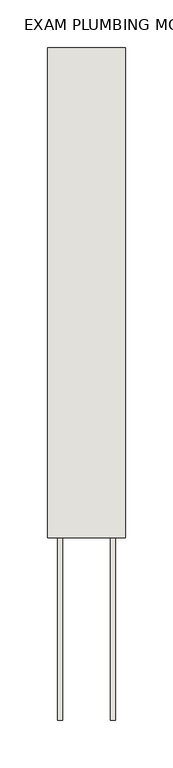
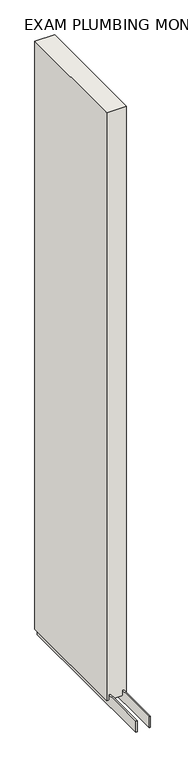
"""IFC4 building model written with IfcOpenShell, lengths in millimetres: wall geometry, EXAM PLUMBING MONO 2 476161 : EXAM PLUMBING MONO 2 476161."""

import ifcopenshell
import ifcopenshell.guid

model = None  # the IFC model being written
_history = None  # IfcOwnerHistory: only IFC2X3 demands one
_inside = {}  # id of a spatial element -> (the spatial element, [elements in it])
_under = {}  # id of a project, library or spatial element -> (it, [spatial elements below it])
_declared = {}  # id of a project -> (the project, [libraries it declares])
_typed = {}  # id of a type object -> (the type object, [elements of that type])
_made_of = {}  # id of a material, layer set ... -> (it, [elements and type objects made of it])


def new_model(schema):
    """Start an empty IFC model of exactly this schema.

    Asked for "IFC4X3", IfcOpenShell would pick the latest addendum, in which some entities
    have other attributes; the version numbers below select the first issue.
    IFC2X3 requires an IfcOwnerHistory on every rooted entity: one is made here for all.
    """
    global model, _history
    if schema == "IFC4X3":
        model = ifcopenshell.file(schema_version=(4, 3, 0, 0))
    else:
        model = ifcopenshell.file(schema=schema)
    _inside.clear()
    _under.clear()
    _declared.clear()
    _typed.clear()
    _made_of.clear()
    _history = None
    if model.schema == "IFC2X3":
        org = make("IfcOrganization", Name="unknown")
        user = make(
            "IfcPersonAndOrganization",
            ThePerson=make("IfcPerson", FamilyName="unknown"),
            TheOrganization=org,
        )
        app = make(
            "IfcApplication",
            ApplicationDeveloper=org,
            Version="unknown",
            ApplicationFullName="unknown",
            ApplicationIdentifier="unknown",
        )
        _history = make(
            "IfcOwnerHistory",
            OwningUser=user,
            OwningApplication=app,
            ChangeAction="ADDED",
            CreationDate=0,
        )
    return model


def make(cls, **values):
    """One entity of the class cls with the attributes given. An attribute that is None is left unset."""
    return model.create_entity(
        cls, **{name: value for name, value in values.items() if value is not None}
    )


def rooted(cls, **values):
    """An entity with a GlobalId (a new one), such as an element, a storey or a relation."""
    return make(cls, GlobalId=ifcopenshell.guid.new(), OwnerHistory=_history, **values)


def si_unit(unit_type, name, prefix=None):
    """IfcSIUnit, for example si_unit("LENGTHUNIT", "METRE", prefix="MILLI")."""
    return make("IfcSIUnit", UnitType=unit_type, Prefix=prefix, Name=name)


def assignment(units):
    """IfcUnitAssignment: the units of a project."""
    return None if units is None else make("IfcUnitAssignment", Units=units)


def point(xyz):
    """IfcCartesianPoint."""
    return None if xyz is None else make("IfcCartesianPoint", Coordinates=xyz)


def direction(xyz):
    """IfcDirection."""
    return None if xyz is None else make("IfcDirection", DirectionRatios=xyz)


def frame(location, z_axis=None, x_axis=None):
    """IfcAxis2Placement3D, a coordinate frame: its origin and axes. An axis left out is left unset."""
    return make(
        "IfcAxis2Placement3D",
        Location=point(location),
        Axis=direction(z_axis),
        RefDirection=direction(x_axis),
    )


def origin():
    """The frame at (0, 0, 0) with its axes left unset."""
    return frame((0.0, 0.0, 0.0))


def place(relative_to, where):
    """IfcLocalPlacement: puts the frame where relative to a parent placement (None: the world)."""
    return make(
        "IfcLocalPlacement", PlacementRelTo=relative_to, RelativePlacement=where
    )


def context(
    kind, dimensions, precision=None, world=None, true_north=None, identifier=None
):
    """IfcGeometricRepresentationContext, for example the 3D "Model" context."""
    return make(
        "IfcGeometricRepresentationContext",
        ContextIdentifier=identifier,
        ContextType=kind,
        CoordinateSpaceDimension=dimensions,
        Precision=precision,
        WorldCoordinateSystem=world,
        TrueNorth=true_north,
    )


def project(units=None, contexts=None):
    """IfcProject with its units and contexts."""
    return rooted(
        "IfcProject",
        Name="project",
        RepresentationContexts=contexts,
        UnitsInContext=assignment(units),
    )


def spatial(cls, under=None, at=None, **own):
    """A site, building, storey or space (cls), placed at a placement, below another one or the project."""
    s = rooted(cls, ObjectPlacement=at, **own)
    if under is not None:
        _under.setdefault(under.id(), (under, []))[1].append(s)
    return s


def polyline(points):
    """IfcPolyline through the points."""
    return make("IfcPolyline", Points=[point(p) for p in points])


def outline(outer, holes=None, kind="AREA"):
    """IfcArbitraryClosedProfileDef: a profile drawn as a closed curve; with holes, ...WithVoids."""
    if holes is None:
        return make("IfcArbitraryClosedProfileDef", ProfileType=kind, OuterCurve=outer)
    return make(
        "IfcArbitraryProfileDefWithVoids",
        ProfileType=kind,
        OuterCurve=outer,
        InnerCurves=holes,
    )


def extrude(swept, where, along, depth):
    """IfcExtrudedAreaSolid: the profile swept, set in the frame where, extruded along a direction by depth."""
    return make(
        "IfcExtrudedAreaSolid",
        SweptArea=swept,
        Position=where,
        ExtrudedDirection=direction(along),
        Depth=depth,
    )


def shape(context_of_items, identifier, shape_type, items):
    """IfcShapeRepresentation: the items that make up one representation, for example the "Body"."""
    return make(
        "IfcShapeRepresentation",
        ContextOfItems=context_of_items,
        RepresentationIdentifier=identifier,
        RepresentationType=shape_type,
        Items=items,
    )


def source(mapping_origin, context_of_items, identifier, shape_type, items):
    """IfcRepresentationMap: a shape defined once, which mapped items show again and again."""
    return make(
        "IfcRepresentationMap",
        MappingOrigin=mapping_origin,
        MappedRepresentation=shape(context_of_items, identifier, shape_type, items),
    )


def transform(
    local_origin,
    x_axis=None,
    y_axis=None,
    z_axis=None,
    scale=None,
    scale2=None,
    scale3=None,
    uniform=True,
):
    """IfcCartesianTransformationOperator3D, or its non-uniform kind. x_axis, y_axis, z_axis: its Axis1, 2, 3."""
    if uniform:
        return make(
            "IfcCartesianTransformationOperator3D",
            Axis1=direction(x_axis),
            Axis2=direction(y_axis),
            LocalOrigin=point(local_origin),
            Scale=scale,
            Axis3=direction(z_axis),
        )
    return make(
        "IfcCartesianTransformationOperator3DnonUniform",
        Axis1=direction(x_axis),
        Axis2=direction(y_axis),
        LocalOrigin=point(local_origin),
        Scale=scale,
        Axis3=direction(z_axis),
        Scale2=scale2,
        Scale3=scale3,
    )


def mapped(mapping_source, mapping_target):
    """IfcMappedItem: shows the shape of a source again, moved by a transform."""
    return make(
        "IfcMappedItem", MappingSource=mapping_source, MappingTarget=mapping_target
    )


def made_of(thing, what):
    """Note that an element or type object is made of a material, layer set ...; save() writes the relation."""
    if what is not None:
        _made_of.setdefault(what.id(), (what, []))[1].append(thing)
    return thing


def element(
    cls,
    number,
    at=None,
    inside=None,
    cuts=None,
    type_object=None,
    material=None,
    context=None,
    identifier="Body",
    shape_type=None,
    held_by="IfcProductDefinitionShape",
    body=None,
    shapes=None,
    **own,
):
    """One element of the class cls, such as IfcWall. Its Tag is "e" and its number.

    at: its placement. inside: the storey or other place that contains it. cuts: it is an
    opening in that element (IfcRelVoidsElement). A single representation is given by context,
    identifier, shape_type and body (its items); several are given by shapes. held_by: the class
    of the entity that holds the representations. save() writes the other relations.
    """
    e = rooted(cls, Tag="e%d" % number, ObjectPlacement=at, **own)
    if body is not None:
        shapes = [shape(context, identifier, shape_type, body)]
    if shapes is not None:
        e.Representation = make(held_by, Representations=shapes)
    if inside is not None:
        _inside.setdefault(inside.id(), (inside, []))[1].append(e)
    if cuts is not None:
        rooted(
            "IfcRelVoidsElement", RelatingBuildingElement=cuts, RelatedOpeningElement=e
        )
    if type_object is not None:
        _typed.setdefault(type_object.id(), (type_object, []))[1].append(e)
    return made_of(e, material)


def aggregate(whole, parts):
    """IfcRelAggregates: a whole, such as a stair, and the parts it consists of."""
    return rooted("IfcRelAggregates", RelatingObject=whole, RelatedObjects=parts)


def save(model, path):
    """Write the relations noted so far, then the file.

    IfcRelAggregates (storeys below a building ...), IfcRelContainedInSpatialStructure (elements
    in a storey), IfcRelDefinesByType, IfcRelAssociatesMaterial and IfcRelDeclares: one each for
    every whole, place, type object, material and project.
    """
    for whole, parts in _under.values():
        aggregate(whole, parts)
    for where, things in _inside.values():
        rooted(
            "IfcRelContainedInSpatialStructure",
            RelatedElements=things,
            RelatingStructure=where,
        )
    for kind, things in _typed.values():
        rooted("IfcRelDefinesByType", RelatedObjects=things, RelatingType=kind)
    for what, things in _made_of.values():
        rooted("IfcRelAssociatesMaterial", RelatedObjects=things, RelatingMaterial=what)
    for by, libraries in _declared.values():
        rooted("IfcRelDeclares", RelatingContext=by, RelatedDefinitions=libraries)
    model.write(path)


def exam_plumbing_mono_2_476161_exam_plumbing_mono_2_476161_c6bd5219(model_context):
    return source(origin(), model_context, "Body", "SweptSolid", [
        extrude(outline(polyline([(57408.482211, -53985.0347272), (57408.482211, -53987.5747272), (57405.942211, -53987.5747272), (57405.942211, -53985.0347272), (57408.482211, -53985.0347272)])), frame((0.0, 0.0, 4419.6), z_axis=(0.0, 0.0, 1.0), x_axis=(1.0, 0.0, 0.0)), (0.0, 0.0, 1.0), 2.54),
        extrude(outline(polyline([(57382.1284664, -53475.6878414), (57382.1284664, -54178.0759718), (57377.049711, -54178.0759718), (57377.049711, -53475.6878414), (57382.1284664, -53475.6878414)])), frame((0.0, 0.0, 4418.6602), z_axis=(0.0, 0.0, 1.0), x_axis=(1.0, 0.0, 0.0)), (0.0, 0.0, 1.0), 47.625),
        extrude(outline(polyline([(57382.1284664, -53475.6878414), (57382.1284664, -54178.0759718), (57377.049711, -54178.0759718), (57377.049711, -53475.6878414), (57382.1284664, -53475.6878414)])), frame((0.0, 0.0, 4418.6602), z_axis=(0.0, 0.0, 1.0), x_axis=(1.0, 0.0, 0.0)), (0.0, 0.0, 1.0), 47.625),
        extrude(outline(polyline([(57432.2959556, -54178.0759718), (57432.2959556, -53475.6878414), (57437.374711, -53475.6878414), (57437.374711, -54178.0759718), (57432.2959556, -54178.0759718)])), frame((0.0, 0.0, 4418.6602), z_axis=(0.0, 0.0, 1.0), x_axis=(1.0, 0.0, 0.0)), (0.0, 0.0, 1.0), 47.625),
        extrude(outline(polyline([(57432.2959556, -54178.0759718), (57432.2959556, -53475.6878414), (57437.374711, -53475.6878414), (57437.374711, -54178.0759718), (57432.2959556, -54178.0759718)])), frame((0.0, 0.0, 4418.6602), z_axis=(0.0, 0.0, 1.0), x_axis=(1.0, 0.0, 0.0)), (0.0, 0.0, 1.0), 47.625),
        extrude(outline(polyline([(57366.5573266, -53475.6878414), (57447.8670954, -53475.6878414), (57447.8670954, -53987.5759718), (57366.5573266, -53987.5759718), (57366.5573266, -53475.6878414)])), frame((0.0, 0.0, 4445.0), z_axis=(0.0, 0.0, 1.0), x_axis=(1.0, 0.0, 0.0)), (0.0, 0.0, 1.0), 2562.4536762),
    ])


if __name__ == "__main__":
    model = new_model("IFC4")
    model_context = context("Model", 3, world=origin())
    ifc_project = project(units=[si_unit("LENGTHUNIT", "METRE", prefix="MILLI")], contexts=[model_context])
    site = spatial("IfcSite", under=ifc_project)
    building = spatial("IfcBuilding", under=site)
    placement = place(None, origin())
    exam_plumbing_mono_2_476161_exam_plumbing_mono_2_476161_shape = exam_plumbing_mono_2_476161_exam_plumbing_mono_2_476161_c6bd5219(model_context)
    element("IfcWall", 1, ObjectType="EXAM PLUMBING MONO 2 476161 : EXAM PLUMBING MONO 2 476161", at=placement, inside=building, context=model_context, shape_type="MappedRepresentation", body=[
        mapped(exam_plumbing_mono_2_476161_exam_plumbing_mono_2_476161_shape, transform((0.0, 0.0, 0.0), x_axis=(1.0, 0.0, 0.0), y_axis=(0.0, 1.0, 0.0), z_axis=(0.0, 0.0, 1.0))),
    ])
    save(model, "model.ifc")
